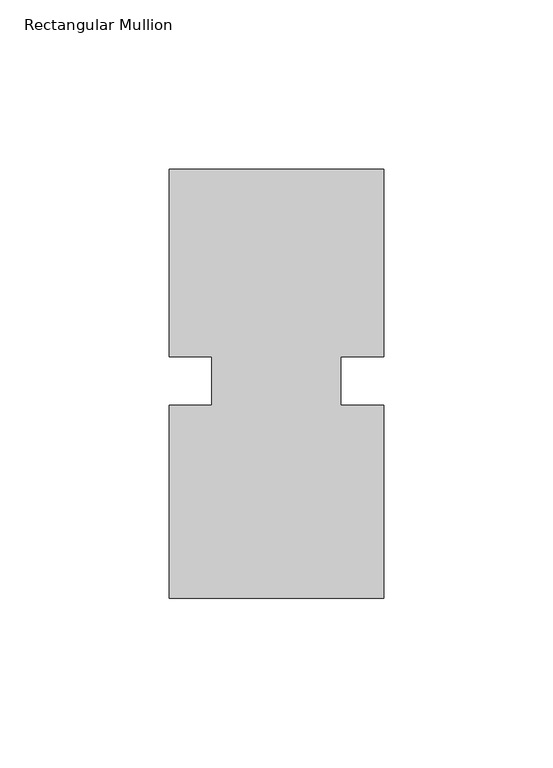
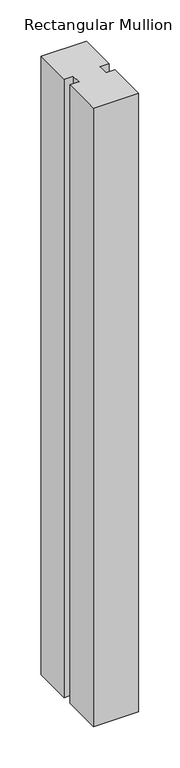
"""IFC4 building model written with IfcOpenShell, lengths in millimetres: member geometry, Rectangular Mullion."""

from ifc_helpers import new_model, si_unit, frame, origin, place, context, project, spatial, polyline, outline, extrude, source, transform, mapped, element, save


def rectangular_mullion_8f17ec87(model_context):
    return source(origin(), model_context, "Body", "SweptSolid", [
        extrude(outline(polyline([(36.0844027, 62.70625), (36.0844027, 7.14375), (23.3826322, 7.14375), (23.3826322, -7.14375), (36.0844027, -7.14375), (36.0844027, -64.29375), (-27.4155973, -64.29375), (-27.4155973, -7.14375), (-14.7155973, -7.14375), (-14.7155973, 7.14375), (-27.4155973, 7.14375), (-27.4155973, 62.70625), (36.0844027, 62.70625)])), frame((0.0, 0.0, -915.5594027), z_axis=(0.0, 0.0, 1.0), x_axis=(1.0, 0.0, 0.0)), (0.0, 0.0, 1.0), 915.5594027),
    ])


if __name__ == "__main__":
    model = new_model("IFC4")
    model_context = context("Model", 3, world=origin())
    ifc_project = project(units=[si_unit("LENGTHUNIT", "METRE", prefix="MILLI")], contexts=[model_context])
    site = spatial("IfcSite", under=ifc_project)
    building = spatial("IfcBuilding", under=site)
    placement = place(None, origin())
    rectangular_mullion_shape = rectangular_mullion_8f17ec87(model_context)
    element("IfcMember", 1, ObjectType="Rectangular Mullion", at=placement, inside=building, context=model_context, shape_type="MappedRepresentation", body=[
        mapped(rectangular_mullion_shape, transform((0.0, 0.0, 0.0), x_axis=(1.0, 0.0, 0.0), y_axis=(0.0, 1.0, 0.0), z_axis=(0.0, 0.0, 1.0))),
    ])
    save(model, "model.ifc")
